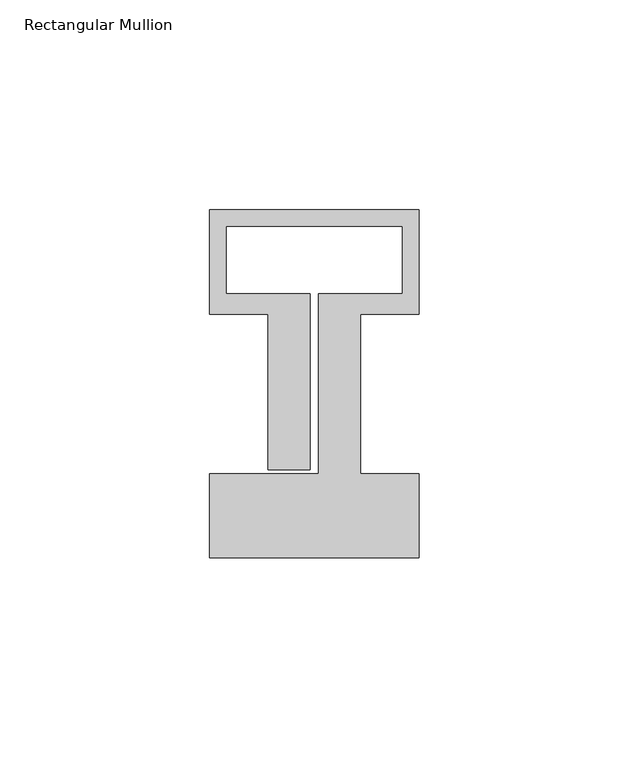
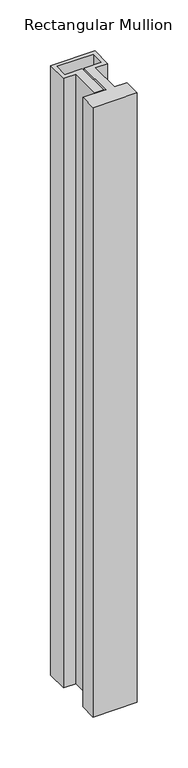
"""IFC4 building model written with IfcOpenShell, lengths in millimetres: member geometry, Rectangular Mullion."""

from ifc_helpers import new_model, si_unit, frame, origin, place, context, project, spatial, polyline, outline, extrude, source, transform, mapped, element, save


def rectangular_mullion_2c5ac841(model_context):
    return source(origin(), model_context, "Body", "SweptSolid", [
        extrude(outline(polyline([(25.0, -58.0), (-25.0, -58.0), (-25.0, -38.0), (1.0, -38.0), (1.0, 5.0), (21.0, 5.0), (21.0, 21.0), (-21.0, 21.0), (-21.0, 5.0), (-1.0, 5.0), (-1.0, -37.0), (-11.0, -37.0), (-11.0, 0.1), (-25.0, 0.1), (-25.0, 25.0), (25.0, 25.0), (25.0, 0.1), (11.0, 0.1), (11.0, -38.0), (25.0, -38.0), (25.0, -58.0)])), frame((0.0, 0.0, -730.0), z_axis=(0.0, 0.0, 1.0), x_axis=(1.0, 0.0, 0.0)), (0.0, 0.0, 1.0), 730.0),
    ])


if __name__ == "__main__":
    model = new_model("IFC4")
    model_context = context("Model", 3, world=origin())
    ifc_project = project(units=[si_unit("LENGTHUNIT", "METRE", prefix="MILLI")], contexts=[model_context])
    site = spatial("IfcSite", under=ifc_project)
    building = spatial("IfcBuilding", under=site)
    placement = place(None, origin())
    rectangular_mullion_shape = rectangular_mullion_2c5ac841(model_context)
    element("IfcMember", 1, ObjectType="Rectangular Mullion", at=placement, inside=building, context=model_context, shape_type="MappedRepresentation", body=[
        mapped(rectangular_mullion_shape, transform((0.0, 0.0, 0.0), x_axis=(1.0, 0.0, 0.0), y_axis=(0.0, 1.0, 0.0), z_axis=(0.0, 0.0, 1.0))),
    ])
    save(model, "model.ifc")
